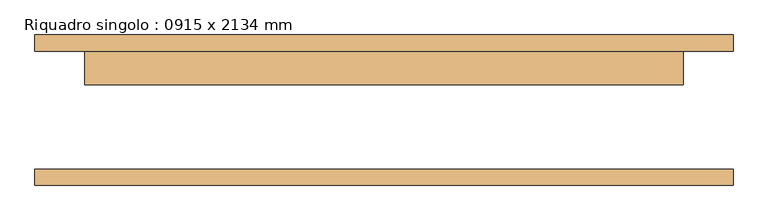
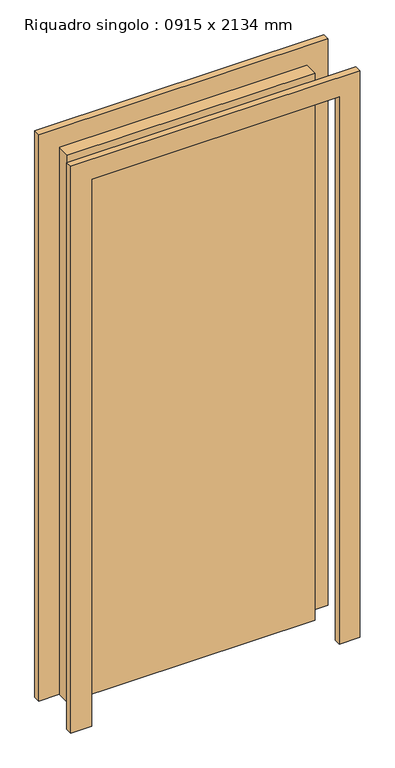
"""IFC4 building model written with IfcOpenShell, lengths in millimetres: door geometry, Riquadro singolo : 0915 x 2134 mm."""

from ifc_helpers import new_model, si_unit, frame, origin, origin_with_axes, place, context, project, spatial, polyline, outline, extrude, source, transform, mapped, element, save


def riquadro_singolo_0915_x_2134_mm_53128813(model_context):
    return source(origin(), model_context, "Body", "SweptSolid", [
        extrude(outline(polyline([(2210.0, -533.5), (0.0, -533.5), (0.0, -457.5), (2134.0, -457.5), (2134.0, 457.5), (0.0, 457.5), (0.0, 533.5), (2210.0, 533.5), (2210.0, -533.5)])), frame((0.0, 90.0, 0.0), z_axis=(0.0, 1.0, 0.0), x_axis=(0.0, 0.0, 1.0)), (0.0, 0.0, 1.0), 25.0),
        extrude(outline(polyline([(2210.0, 533.5), (2210.0, -533.5), (0.0, -533.5), (0.0, -457.5), (2134.0, -457.5), (2134.0, 457.5), (0.0, 457.5), (0.0, 533.5), (2210.0, 533.5)])), frame((0.0, -115.0, 0.0), z_axis=(0.0, 1.0, 0.0), x_axis=(0.0, 0.0, 1.0)), (0.0, 0.0, 1.0), 25.0),
        extrude(outline(polyline([(457.5, 39.0), (-457.5, 39.0), (-457.5, 90.0), (457.5, 90.0), (457.5, 39.0)])), origin_with_axes(), (0.0, 0.0, 1.0), 2134.0),
    ])


if __name__ == "__main__":
    model = new_model("IFC4")
    model_context = context("Model", 3, world=origin())
    ifc_project = project(units=[si_unit("LENGTHUNIT", "METRE", prefix="MILLI")], contexts=[model_context])
    site = spatial("IfcSite", under=ifc_project)
    building = spatial("IfcBuilding", under=site)
    placement = place(None, origin())
    riquadro_singolo_0915_x_2134_mm_shape = riquadro_singolo_0915_x_2134_mm_53128813(model_context)
    element("IfcDoor", 1, ObjectType="Riquadro singolo : 0915 x 2134 mm", at=placement, inside=building, context=model_context, shape_type="MappedRepresentation", body=[
        mapped(riquadro_singolo_0915_x_2134_mm_shape, transform((0.0, 0.0, 0.0), x_axis=(1.0, 0.0, 0.0), y_axis=(0.0, 1.0, 0.0), z_axis=(0.0, 0.0, 1.0))),
    ])
    save(model, "model.ifc")
